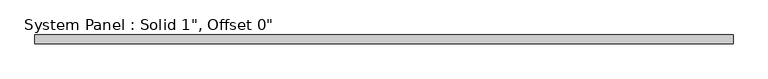
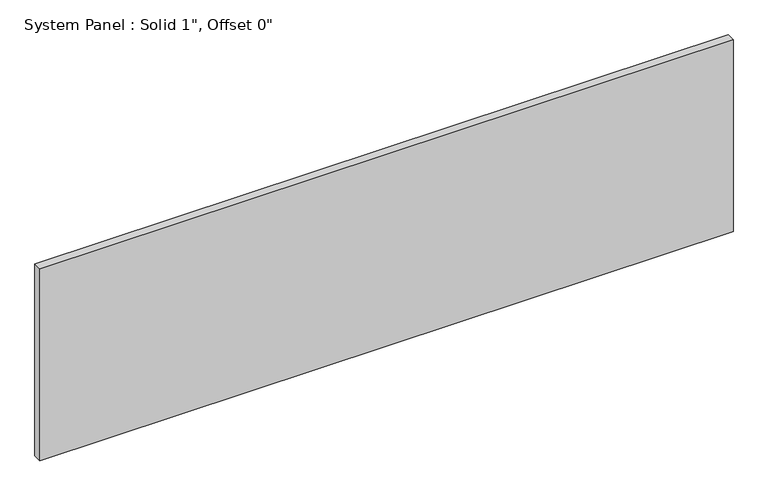
"""IFC4 building model written with IfcOpenShell, lengths in millimetres: plate geometry."""

from ifc_helpers import new_model, si_unit, origin, origin_with_axes, place, context, project, spatial, polyline, outline, extrude, source, transform, mapped, element, save


def plate_fa1b72f9(model_context):
    return source(origin(), model_context, "Body", "SweptSolid", [
        extrude(outline(polyline([(1004.1123651, -12.7), (-1004.1123651, -12.7), (-1004.1123651, 12.7), (1004.1123651, 12.7), (1004.1123651, -12.7)])), origin_with_axes(), (0.0, 0.0, 1.0), 587.3004719),
    ])


if __name__ == "__main__":
    model = new_model("IFC4")
    model_context = context("Model", 3, world=origin())
    ifc_project = project(units=[si_unit("LENGTHUNIT", "METRE", prefix="MILLI")], contexts=[model_context])
    site = spatial("IfcSite", under=ifc_project)
    building = spatial("IfcBuilding", under=site)
    placement = place(None, origin())
    plate_shape = plate_fa1b72f9(model_context)
    element("IfcPlate", 1, ObjectType="System Panel : Solid 1\", Offset 0\"", at=placement, inside=building, context=model_context, shape_type="MappedRepresentation", body=[
        mapped(plate_shape, transform((0.0, 0.0, 0.0), x_axis=(1.0, 0.0, 0.0), y_axis=(0.0, 1.0, 0.0), z_axis=(0.0, 0.0, 1.0))),
    ])
    save(model, "model.ifc")
